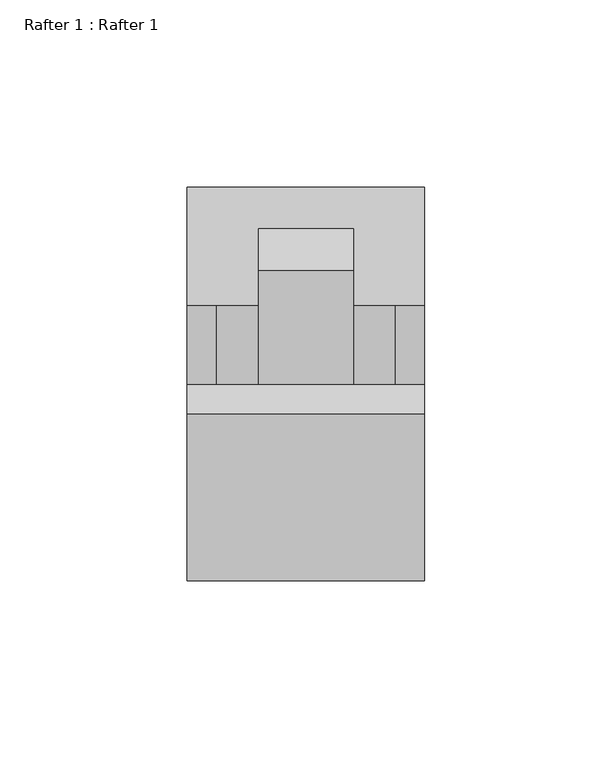
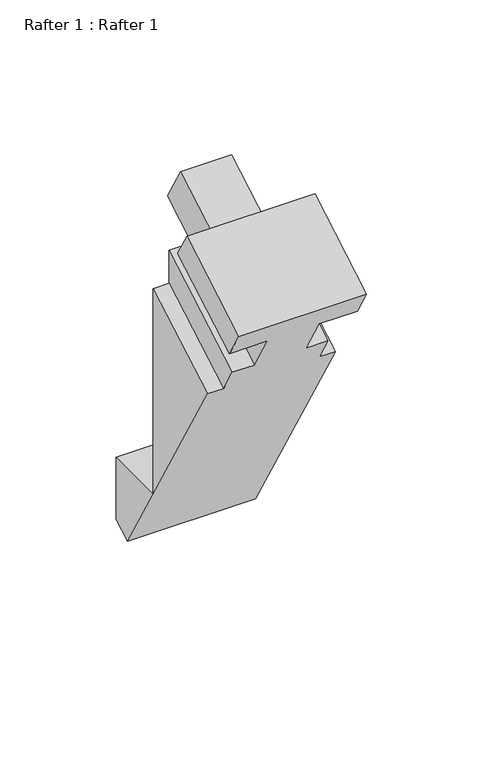
"""IFC4 building model written with IfcOpenShell, lengths in millimetres: proxy geometry, Rafter 1 : Rafter 1."""

from ifc_helpers import new_model, si_unit, origin, place, context, project, spatial, faceted_brep, source, transform, mapped, element, save


def rafter_1_rafter_1_fd1f9a51(model_context):
    return source(origin(), model_context, "Body", "Brep", [
        faceted_brep([(10046.0552127, -20323.1526865, 1214.2597768), (10038.1304127, -20323.1526865, 1214.2597768), (10038.1304127, -20330.6837865, 1227.3040246), (10027.0052127, -20330.6837865, 1227.3040246), (10027.0052127, -20341.9232865, 1246.7714097), (10046.0552127, -20341.9232865, 1246.7714097), (10046.0552127, -20349.8607865, 1260.5195629), (9982.5552127, -20349.8607865, 1260.5195629), (9982.5552127, -20341.9232865, 1246.7714097), (10001.6052127, -20341.9232865, 1246.7714097), (10001.6052127, -20330.6837865, 1227.3040246), (9990.4800127, -20330.6837865, 1227.3040246), (9990.4800127, -20323.1526865, 1214.2597768), (9982.5552127, -20323.1526865, 1214.2597768), (9982.5552127, -20276.4830671, 1133.4256248), (9982.5552127, -20254.4837865, 1095.3217531), (10046.0552127, -20254.4837865, 1095.3217531), (10046.0552127, -20276.4830671, 1133.4256248), (10046.0552127, -20244.7580715, 1100.9368972), (10046.0552127, -20244.7580715, 1133.4256248), (10046.0552127, -20276.4830671, 1241.2044941), (9982.5552127, -20244.7580715, 1100.9368972), (9982.5552127, -20276.4830671, 1241.2044941), (9982.5552127, -20244.7580715, 1133.4256248), (9990.4800127, -20276.4830671, 1241.2044941), (9990.4800127, -20276.4830671, 1258.5968245), (10001.6052127, -20276.4830671, 1258.5968245), (10001.6052127, -20297.4765522, 1272.4327437), (10001.6052127, -20267.0424423, 1290.0038852), (10001.6052127, -20255.8029423, 1270.5365002), (9982.5552127, -20297.4765522, 1272.4327437), (9982.5552127, -20305.4140522, 1286.1808969), (10046.0552127, -20305.4140522, 1286.1808969), (10046.0552127, -20297.4765522, 1272.4327437), (10027.0052127, -20297.4765522, 1272.4327437), (10027.0052127, -20276.4830671, 1258.5968245), (10027.0052127, -20255.8029423, 1270.5365002), (10027.0052127, -20267.0424423, 1290.0038852), (10038.1304127, -20276.4830671, 1258.5968245), (10038.1304127, -20276.4830671, 1241.2044941)], [[[0, 1, 2, 3, 4, 5, 6, 7, 8, 9, 10, 11, 12, 13, 14, 15, 16, 17]], [[17, 16, 18, 19]], [[0, 17, 20]], [[16, 15, 21, 18]], [[14, 13, 22]], [[15, 14, 23, 21]], [[13, 12, 24, 22]], [[12, 11, 25, 24]], [[11, 10, 26, 25]], [[10, 9, 27, 28, 29, 26]], [[9, 8, 30, 27]], [[8, 7, 31, 30]], [[7, 6, 32, 31]], [[6, 5, 33, 32]], [[5, 4, 34, 33]], [[4, 3, 35, 36, 37, 34]], [[3, 2, 38, 35]], [[2, 1, 39, 38]], [[1, 0, 20, 39]], [[23, 19, 18, 21]], [[34, 27, 30, 31, 32, 33]], [[27, 34, 37, 28]], [[28, 37, 36, 29]], [[29, 36, 35, 26]], [[17, 14, 22, 24, 25, 26, 35, 38, 39, 20]], [[19, 23, 14, 17]]]),
    ])


if __name__ == "__main__":
    model = new_model("IFC4")
    model_context = context("Model", 3, world=origin())
    ifc_project = project(units=[si_unit("LENGTHUNIT", "METRE", prefix="MILLI")], contexts=[model_context])
    site = spatial("IfcSite", under=ifc_project)
    building = spatial("IfcBuilding", under=site)
    placement = place(None, origin())
    rafter_1_rafter_1_shape = rafter_1_rafter_1_fd1f9a51(model_context)
    element("IfcBuildingElementProxy", 1, Name="Rafter 1 : Rafter 1", ObjectType="Rafter 1 : Rafter 1", at=placement, inside=building, context=model_context, shape_type="MappedRepresentation", body=[
        mapped(rafter_1_rafter_1_shape, transform((0.0, 0.0, 0.0), x_axis=(1.0, 0.0, 0.0), y_axis=(0.0, 1.0, 0.0), z_axis=(0.0, 0.0, 1.0))),
    ])
    save(model, "model.ifc")
